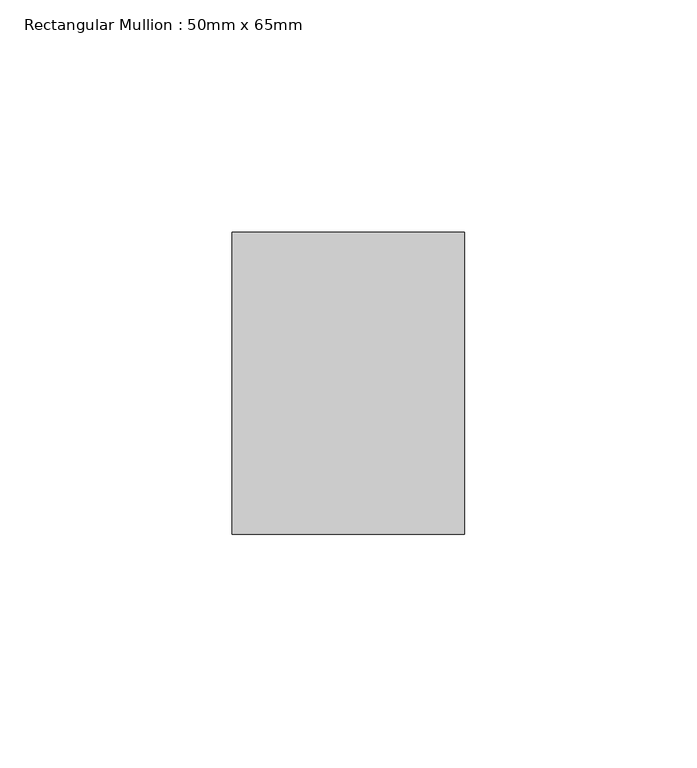
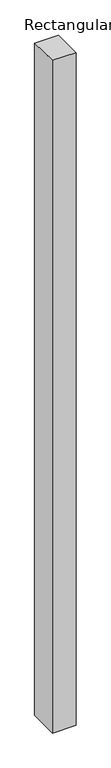
"""IFC4 building model written with IfcOpenShell, lengths in millimetres: member geometry, Rectangular Mullion : 50mm x 65mm."""

from ifc_helpers import new_model, si_unit, origin, place, context, project, spatial, faceted_brep, source, transform, mapped, element, save


def rectangular_mullion_50mm_x_65mm_12916500(model_context):
    return source(origin(), model_context, "Body", "Brep", [
        faceted_brep([(-25.0, 32.5, -0.4073258), (25.0, 32.5, -0.4073272), (25.0, 32.5, -1499.6944958), (-25.0, 32.5, -1499.6944968), (-25.0, -32.5, 0.4073272), (-25.0, -32.5, -1500.3059453), (25.0, -32.5, 0.4073258), (25.0, -32.5, -1500.3059443)], [[[0, 1, 2, 3]], [[4, 0, 3, 5]], [[6, 4, 5, 7]], [[1, 6, 7, 2]], [[1, 0, 4, 6]], [[2, 7, 5, 3]]]),
    ])


if __name__ == "__main__":
    model = new_model("IFC4")
    model_context = context("Model", 3, world=origin())
    ifc_project = project(units=[si_unit("LENGTHUNIT", "METRE", prefix="MILLI")], contexts=[model_context])
    site = spatial("IfcSite", under=ifc_project)
    building = spatial("IfcBuilding", under=site)
    placement = place(None, origin())
    rectangular_mullion_50mm_x_65mm_shape = rectangular_mullion_50mm_x_65mm_12916500(model_context)
    element("IfcMember", 1, ObjectType="Rectangular Mullion : 50mm x 65mm", at=placement, inside=building, context=model_context, shape_type="MappedRepresentation", body=[
        mapped(rectangular_mullion_50mm_x_65mm_shape, transform((0.0, 0.0, 0.0), x_axis=(1.0, 0.0, 0.0), y_axis=(0.0, 1.0, 0.0), z_axis=(0.0, 0.0, 1.0))),
    ])
    save(model, "model.ifc")
